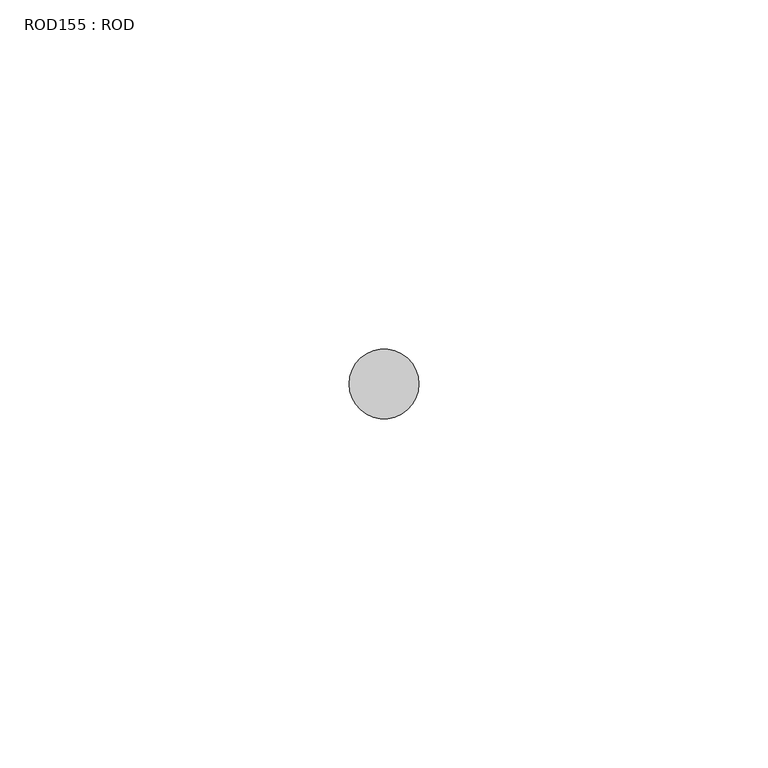
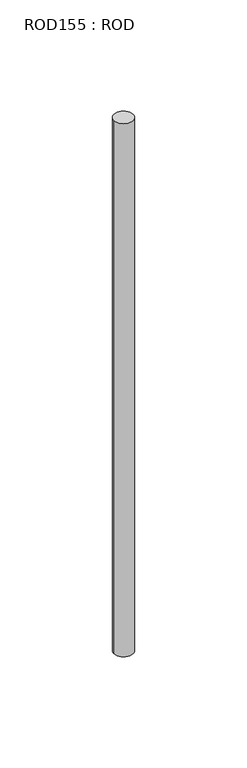
"""IFC4 building model written with IfcOpenShell, lengths in millimetres: proxy geometry, ROD155 : ROD."""

from ifc_helpers import new_model, si_unit, point, frame, frame_2d, origin, place, context, project, spatial, circle_curve, trimmed, segment, composite_curve, outline, extrude, source, transform, mapped, element, save


def rod155_rod_298db393(model_context):
    return source(origin(), model_context, "Body", "SweptSolid", [
        extrude(outline(composite_curve([segment(trimmed(circle_curve(frame_2d((-7367.2215616, -12414.6300853)), 5.0), [point((-7372.2215616, -12414.6300853))], [point((-7362.2215616, -12414.6300853))], False, "CARTESIAN"), True, "CONTINUOUS"), segment(trimmed(circle_curve(frame_2d((-7367.2215616, -12414.6300853)), 5.0), [point((-7362.2215616, -12414.6300853))], [point((-7372.2215616, -12414.6300853))], False, "CARTESIAN"), True, "CONTINUOUS")], self_intersect=False)), frame((0.0, 0.0, -208.6608845), z_axis=(0.0, 0.0, 1.0), x_axis=(1.0, 0.0, 0.0)), (0.0, 0.0, 1.0), 298.9028972),
    ])


if __name__ == "__main__":
    model = new_model("IFC4")
    model_context = context("Model", 3, world=origin())
    ifc_project = project(units=[si_unit("LENGTHUNIT", "METRE", prefix="MILLI")], contexts=[model_context])
    site = spatial("IfcSite", under=ifc_project)
    building = spatial("IfcBuilding", under=site)
    placement = place(None, origin())
    rod155_rod_shape = rod155_rod_298db393(model_context)
    element("IfcBuildingElementProxy", 1, Name="ROD155 : ROD", ObjectType="ROD155 : ROD", at=placement, inside=building, context=model_context, shape_type="MappedRepresentation", body=[
        mapped(rod155_rod_shape, transform((0.0, 0.0, 0.0), x_axis=(1.0, 0.0, 0.0), y_axis=(0.0, 1.0, 0.0), z_axis=(0.0, 0.0, 1.0))),
    ])
    save(model, "model.ifc")
